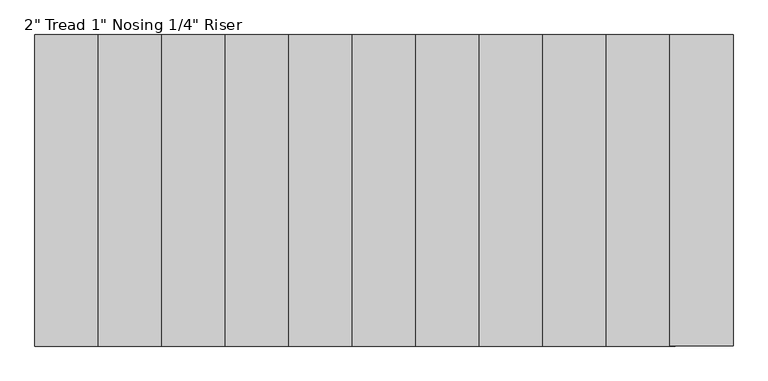
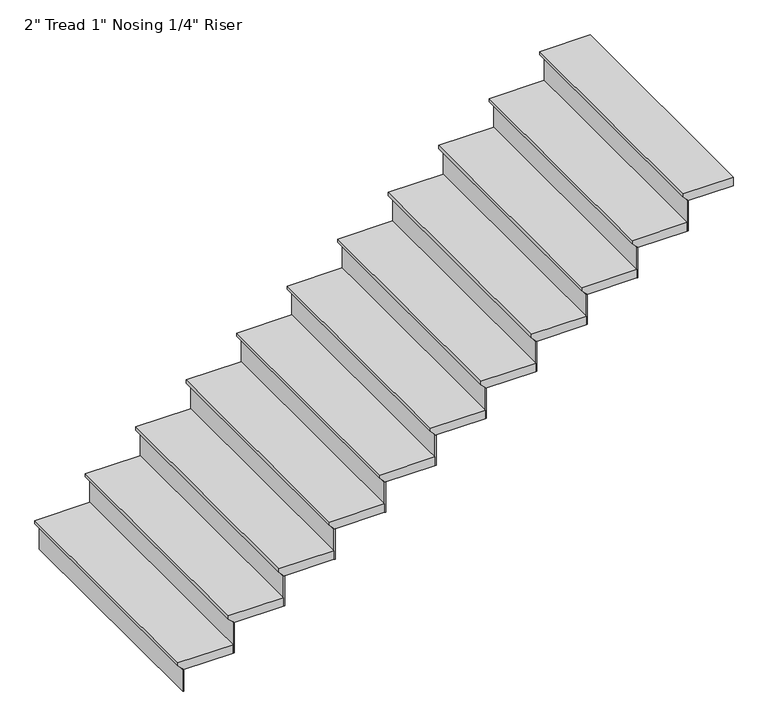
"""IFC4 building model written with IfcOpenShell, lengths in millimetres: stair flight geometry."""

import ifcopenshell
import ifcopenshell.guid

model = None  # the IFC model being written
_history = None  # IfcOwnerHistory: only IFC2X3 demands one
_inside = {}  # id of a spatial element -> (the spatial element, [elements in it])
_under = {}  # id of a project, library or spatial element -> (it, [spatial elements below it])
_declared = {}  # id of a project -> (the project, [libraries it declares])
_typed = {}  # id of a type object -> (the type object, [elements of that type])
_made_of = {}  # id of a material, layer set ... -> (it, [elements and type objects made of it])


def new_model(schema):
    """Start an empty IFC model of exactly this schema.

    Asked for "IFC4X3", IfcOpenShell would pick the latest addendum, in which some entities
    have other attributes; the version numbers below select the first issue.
    IFC2X3 requires an IfcOwnerHistory on every rooted entity: one is made here for all.
    """
    global model, _history
    if schema == "IFC4X3":
        model = ifcopenshell.file(schema_version=(4, 3, 0, 0))
    else:
        model = ifcopenshell.file(schema=schema)
    _inside.clear()
    _under.clear()
    _declared.clear()
    _typed.clear()
    _made_of.clear()
    _history = None
    if model.schema == "IFC2X3":
        org = make("IfcOrganization", Name="unknown")
        user = make(
            "IfcPersonAndOrganization",
            ThePerson=make("IfcPerson", FamilyName="unknown"),
            TheOrganization=org,
        )
        app = make(
            "IfcApplication",
            ApplicationDeveloper=org,
            Version="unknown",
            ApplicationFullName="unknown",
            ApplicationIdentifier="unknown",
        )
        _history = make(
            "IfcOwnerHistory",
            OwningUser=user,
            OwningApplication=app,
            ChangeAction="ADDED",
            CreationDate=0,
        )
    return model


def make(cls, **values):
    """One entity of the class cls with the attributes given. An attribute that is None is left unset."""
    return model.create_entity(
        cls, **{name: value for name, value in values.items() if value is not None}
    )


def rooted(cls, **values):
    """An entity with a GlobalId (a new one), such as an element, a storey or a relation."""
    return make(cls, GlobalId=ifcopenshell.guid.new(), OwnerHistory=_history, **values)


def si_unit(unit_type, name, prefix=None):
    """IfcSIUnit, for example si_unit("LENGTHUNIT", "METRE", prefix="MILLI")."""
    return make("IfcSIUnit", UnitType=unit_type, Prefix=prefix, Name=name)


def assignment(units):
    """IfcUnitAssignment: the units of a project."""
    return None if units is None else make("IfcUnitAssignment", Units=units)


def point(xyz):
    """IfcCartesianPoint."""
    return None if xyz is None else make("IfcCartesianPoint", Coordinates=xyz)


def direction(xyz):
    """IfcDirection."""
    return None if xyz is None else make("IfcDirection", DirectionRatios=xyz)


def frame(location, z_axis=None, x_axis=None):
    """IfcAxis2Placement3D, a coordinate frame: its origin and axes. An axis left out is left unset."""
    return make(
        "IfcAxis2Placement3D",
        Location=point(location),
        Axis=direction(z_axis),
        RefDirection=direction(x_axis),
    )


def origin():
    """The frame at (0, 0, 0) with its axes left unset."""
    return frame((0.0, 0.0, 0.0))


def origin_with_axes():
    """The frame at (0, 0, 0) with the z axis (0, 0, 1) and the x axis (1, 0, 0) written out."""
    return frame((0.0, 0.0, 0.0), z_axis=(0.0, 0.0, 1.0), x_axis=(1.0, 0.0, 0.0))


def place(relative_to, where):
    """IfcLocalPlacement: puts the frame where relative to a parent placement (None: the world)."""
    return make(
        "IfcLocalPlacement", PlacementRelTo=relative_to, RelativePlacement=where
    )


def context(
    kind, dimensions, precision=None, world=None, true_north=None, identifier=None
):
    """IfcGeometricRepresentationContext, for example the 3D "Model" context."""
    return make(
        "IfcGeometricRepresentationContext",
        ContextIdentifier=identifier,
        ContextType=kind,
        CoordinateSpaceDimension=dimensions,
        Precision=precision,
        WorldCoordinateSystem=world,
        TrueNorth=true_north,
    )


def project(units=None, contexts=None):
    """IfcProject with its units and contexts."""
    return rooted(
        "IfcProject",
        Name="project",
        RepresentationContexts=contexts,
        UnitsInContext=assignment(units),
    )


def spatial(cls, under=None, at=None, **own):
    """A site, building, storey or space (cls), placed at a placement, below another one or the project."""
    s = rooted(cls, ObjectPlacement=at, **own)
    if under is not None:
        _under.setdefault(under.id(), (under, []))[1].append(s)
    return s


def polyline(points):
    """IfcPolyline through the points."""
    return make("IfcPolyline", Points=[point(p) for p in points])


def outline(outer, holes=None, kind="AREA"):
    """IfcArbitraryClosedProfileDef: a profile drawn as a closed curve; with holes, ...WithVoids."""
    if holes is None:
        return make("IfcArbitraryClosedProfileDef", ProfileType=kind, OuterCurve=outer)
    return make(
        "IfcArbitraryProfileDefWithVoids",
        ProfileType=kind,
        OuterCurve=outer,
        InnerCurves=holes,
    )


def extrude(swept, where, along, depth):
    """IfcExtrudedAreaSolid: the profile swept, set in the frame where, extruded along a direction by depth."""
    return make(
        "IfcExtrudedAreaSolid",
        SweptArea=swept,
        Position=where,
        ExtrudedDirection=direction(along),
        Depth=depth,
    )


def shape(context_of_items, identifier, shape_type, items):
    """IfcShapeRepresentation: the items that make up one representation, for example the "Body"."""
    return make(
        "IfcShapeRepresentation",
        ContextOfItems=context_of_items,
        RepresentationIdentifier=identifier,
        RepresentationType=shape_type,
        Items=items,
    )


def source(mapping_origin, context_of_items, identifier, shape_type, items):
    """IfcRepresentationMap: a shape defined once, which mapped items show again and again."""
    return make(
        "IfcRepresentationMap",
        MappingOrigin=mapping_origin,
        MappedRepresentation=shape(context_of_items, identifier, shape_type, items),
    )


def transform(
    local_origin,
    x_axis=None,
    y_axis=None,
    z_axis=None,
    scale=None,
    scale2=None,
    scale3=None,
    uniform=True,
):
    """IfcCartesianTransformationOperator3D, or its non-uniform kind. x_axis, y_axis, z_axis: its Axis1, 2, 3."""
    if uniform:
        return make(
            "IfcCartesianTransformationOperator3D",
            Axis1=direction(x_axis),
            Axis2=direction(y_axis),
            LocalOrigin=point(local_origin),
            Scale=scale,
            Axis3=direction(z_axis),
        )
    return make(
        "IfcCartesianTransformationOperator3DnonUniform",
        Axis1=direction(x_axis),
        Axis2=direction(y_axis),
        LocalOrigin=point(local_origin),
        Scale=scale,
        Axis3=direction(z_axis),
        Scale2=scale2,
        Scale3=scale3,
    )


def mapped(mapping_source, mapping_target):
    """IfcMappedItem: shows the shape of a source again, moved by a transform."""
    return make(
        "IfcMappedItem", MappingSource=mapping_source, MappingTarget=mapping_target
    )


def made_of(thing, what):
    """Note that an element or type object is made of a material, layer set ...; save() writes the relation."""
    if what is not None:
        _made_of.setdefault(what.id(), (what, []))[1].append(thing)
    return thing


def element(
    cls,
    number,
    at=None,
    inside=None,
    cuts=None,
    type_object=None,
    material=None,
    context=None,
    identifier="Body",
    shape_type=None,
    held_by="IfcProductDefinitionShape",
    body=None,
    shapes=None,
    **own,
):
    """One element of the class cls, such as IfcWall. Its Tag is "e" and its number.

    at: its placement. inside: the storey or other place that contains it. cuts: it is an
    opening in that element (IfcRelVoidsElement). A single representation is given by context,
    identifier, shape_type and body (its items); several are given by shapes. held_by: the class
    of the entity that holds the representations. save() writes the other relations.
    """
    e = rooted(cls, Tag="e%d" % number, ObjectPlacement=at, **own)
    if body is not None:
        shapes = [shape(context, identifier, shape_type, body)]
    if shapes is not None:
        e.Representation = make(held_by, Representations=shapes)
    if inside is not None:
        _inside.setdefault(inside.id(), (inside, []))[1].append(e)
    if cuts is not None:
        rooted(
            "IfcRelVoidsElement", RelatingBuildingElement=cuts, RelatedOpeningElement=e
        )
    if type_object is not None:
        _typed.setdefault(type_object.id(), (type_object, []))[1].append(e)
    return made_of(e, material)


def aggregate(whole, parts):
    """IfcRelAggregates: a whole, such as a stair, and the parts it consists of."""
    return rooted("IfcRelAggregates", RelatingObject=whole, RelatedObjects=parts)


def save(model, path):
    """Write the relations noted so far, then the file.

    IfcRelAggregates (storeys below a building ...), IfcRelContainedInSpatialStructure (elements
    in a storey), IfcRelDefinesByType, IfcRelAssociatesMaterial and IfcRelDeclares: one each for
    every whole, place, type object, material and project.
    """
    for whole, parts in _under.values():
        aggregate(whole, parts)
    for where, things in _inside.values():
        rooted(
            "IfcRelContainedInSpatialStructure",
            RelatedElements=things,
            RelatingStructure=where,
        )
    for kind, things in _typed.values():
        rooted("IfcRelDefinesByType", RelatedObjects=things, RelatingType=kind)
    for what, things in _made_of.values():
        rooted("IfcRelAssociatesMaterial", RelatedObjects=things, RelatingMaterial=what)
    for by, libraries in _declared.values():
        rooted("IfcRelDeclares", RelatingContext=by, RelatedDefinitions=libraries)
    model.write(path)


def stair_flight_4f074d0f(model_context):
    return source(origin(), model_context, "Body", "SweptSolid", [
        extrude(outline(polyline([(176.6956522, -514089.8106288), (176.6956522, -514394.6106288), (157.6456522, -514394.6106288), (132.2456522, -514369.2106288), (125.8956522, -514369.2106288), (125.8956522, -514089.8106288), (176.6956522, -514089.8106288)])), frame((0.0, 21980.2716336, 0.0), z_axis=(0.0, 1.0, 0.0), x_axis=(0.0, 0.0, 1.0)), (0.0, 0.0, 1.0), 1371.6),
        extrude(outline(polyline([(-514362.8606288, 21980.2716336), (-514369.2106288, 21980.2716336), (-514369.2106288, 23351.8716336), (-514362.8606288, 23351.8716336), (-514362.8606288, 21980.2716336)])), origin_with_axes(), (0.0, 0.0, 1.0), 125.8956522),
        extrude(outline(polyline([(-514083.4606288, 21980.2716336), (-514089.8106288, 21980.2716336), (-514089.8106288, 23351.8716336), (-514083.4606288, 23351.8716336), (-514083.4606288, 21980.2716336)])), frame((0.0, 0.0, 125.8956522), z_axis=(0.0, 0.0, 1.0), x_axis=(1.0, 0.0, 0.0)), (0.0, 0.0, 1.0), 176.6956522),
        extrude(outline(polyline([(353.3913043, -513810.4106288), (353.3913043, -514115.2106288), (334.3413043, -514115.2106288), (308.9413043, -514089.8106288), (302.5913043, -514089.8106288), (302.5913043, -513810.4106288), (353.3913043, -513810.4106288)])), frame((0.0, 21980.2716336, 0.0), z_axis=(0.0, 1.0, 0.0), x_axis=(0.0, 0.0, 1.0)), (0.0, 0.0, 1.0), 1371.6),
        extrude(outline(polyline([(-513804.0606288, 21980.2716336), (-513810.4106288, 21980.2716336), (-513810.4106288, 23351.8716336), (-513804.0606288, 23351.8716336), (-513804.0606288, 21980.2716336)])), frame((0.0, 0.0, 302.5913043), z_axis=(0.0, 0.0, 1.0), x_axis=(1.0, 0.0, 0.0)), (0.0, 0.0, 1.0), 176.6956522),
        extrude(outline(polyline([(530.0869565, -513531.0106288), (530.0869565, -513835.8106288), (511.0369565, -513835.8106288), (485.6369565, -513810.4106288), (479.2869565, -513810.4106288), (479.2869565, -513531.0106288), (530.0869565, -513531.0106288)])), frame((0.0, 21980.2716336, 0.0), z_axis=(0.0, 1.0, 0.0), x_axis=(0.0, 0.0, 1.0)), (0.0, 0.0, 1.0), 1371.6),
        extrude(outline(polyline([(-513524.6606288, 21980.2716336), (-513531.0106288, 21980.2716336), (-513531.0106288, 23351.8716336), (-513524.6606288, 23351.8716336), (-513524.6606288, 21980.2716336)])), frame((0.0, 0.0, 479.2869565), z_axis=(0.0, 0.0, 1.0), x_axis=(1.0, 0.0, 0.0)), (0.0, 0.0, 1.0), 176.6956522),
        extrude(outline(polyline([(706.7826087, -513251.6106288), (706.7826087, -513556.4106288), (687.7326087, -513556.4106288), (662.3326087, -513531.0106288), (655.9826087, -513531.0106288), (655.9826087, -513251.6106288), (706.7826087, -513251.6106288)])), frame((0.0, 21980.2716336, 0.0), z_axis=(0.0, 1.0, 0.0), x_axis=(0.0, 0.0, 1.0)), (0.0, 0.0, 1.0), 1371.6),
        extrude(outline(polyline([(-513245.2606288, 21980.2716336), (-513251.6106288, 21980.2716336), (-513251.6106288, 23351.8716336), (-513245.2606288, 23351.8716336), (-513245.2606288, 21980.2716336)])), frame((0.0, 0.0, 655.9826087), z_axis=(0.0, 0.0, 1.0), x_axis=(1.0, 0.0, 0.0)), (0.0, 0.0, 1.0), 176.6956522),
        extrude(outline(polyline([(883.4782609, -512972.2106288), (883.4782609, -513277.0106288), (864.4282609, -513277.0106288), (839.0282609, -513251.6106288), (832.6782609, -513251.6106288), (832.6782609, -512972.2106288), (883.4782609, -512972.2106288)])), frame((0.0, 21980.2716336, 0.0), z_axis=(0.0, 1.0, 0.0), x_axis=(0.0, 0.0, 1.0)), (0.0, 0.0, 1.0), 1371.6),
        extrude(outline(polyline([(-512965.8606288, 21980.2716336), (-512972.2106288, 21980.2716336), (-512972.2106288, 23351.8716336), (-512965.8606288, 23351.8716336), (-512965.8606288, 21980.2716336)])), frame((0.0, 0.0, 832.6782609), z_axis=(0.0, 0.0, 1.0), x_axis=(1.0, 0.0, 0.0)), (0.0, 0.0, 1.0), 176.6956522),
        extrude(outline(polyline([(1060.173913, -512692.8106288), (1060.173913, -512997.6106288), (1041.123913, -512997.6106288), (1015.723913, -512972.2106288), (1009.373913, -512972.2106288), (1009.373913, -512692.8106288), (1060.173913, -512692.8106288)])), frame((0.0, 21980.2716336, 0.0), z_axis=(0.0, 1.0, 0.0), x_axis=(0.0, 0.0, 1.0)), (0.0, 0.0, 1.0), 1371.6),
        extrude(outline(polyline([(-512686.4606288, 21980.2716336), (-512692.8106288, 21980.2716336), (-512692.8106288, 23351.8716336), (-512686.4606288, 23351.8716336), (-512686.4606288, 21980.2716336)])), frame((0.0, 0.0, 1009.373913), z_axis=(0.0, 0.0, 1.0), x_axis=(1.0, 0.0, 0.0)), (0.0, 0.0, 1.0), 176.6956522),
        extrude(outline(polyline([(1236.8695652, -512413.4106288), (1236.8695652, -512718.2106288), (1217.8195652, -512718.2106288), (1192.4195652, -512692.8106288), (1186.0695652, -512692.8106288), (1186.0695652, -512413.4106288), (1236.8695652, -512413.4106288)])), frame((0.0, 21980.2716336, 0.0), z_axis=(0.0, 1.0, 0.0), x_axis=(0.0, 0.0, 1.0)), (0.0, 0.0, 1.0), 1371.6),
        extrude(outline(polyline([(-512407.0606288, 21980.2716336), (-512413.4106288, 21980.2716336), (-512413.4106288, 23351.8716336), (-512407.0606288, 23351.8716336), (-512407.0606288, 21980.2716336)])), frame((0.0, 0.0, 1186.0695652), z_axis=(0.0, 0.0, 1.0), x_axis=(1.0, 0.0, 0.0)), (0.0, 0.0, 1.0), 176.6956522),
        extrude(outline(polyline([(1413.5652174, -512134.0106288), (1413.5652174, -512438.8106288), (1394.5152174, -512438.8106288), (1369.1152174, -512413.4106288), (1362.7652174, -512413.4106288), (1362.7652174, -512134.0106288), (1413.5652174, -512134.0106288)])), frame((0.0, 21980.2716336, 0.0), z_axis=(0.0, 1.0, 0.0), x_axis=(0.0, 0.0, 1.0)), (0.0, 0.0, 1.0), 1371.6),
        extrude(outline(polyline([(-512127.6606288, 21980.2716336), (-512134.0106288, 21980.2716336), (-512134.0106288, 23351.8716336), (-512127.6606288, 23351.8716336), (-512127.6606288, 21980.2716336)])), frame((0.0, 0.0, 1362.7652174), z_axis=(0.0, 0.0, 1.0), x_axis=(1.0, 0.0, 0.0)), (0.0, 0.0, 1.0), 176.6956522),
        extrude(outline(polyline([(1590.2608696, -511854.6106288), (1590.2608696, -512159.4106288), (1571.2108696, -512159.4106288), (1545.8108696, -512134.0106288), (1539.4608696, -512134.0106288), (1539.4608696, -511854.6106288), (1590.2608696, -511854.6106288)])), frame((0.0, 21980.2716336, 0.0), z_axis=(0.0, 1.0, 0.0), x_axis=(0.0, 0.0, 1.0)), (0.0, 0.0, 1.0), 1371.6),
        extrude(outline(polyline([(-511848.2606288, 21980.2716336), (-511854.6106288, 21980.2716336), (-511854.6106288, 23351.8716336), (-511848.2606288, 23351.8716336), (-511848.2606288, 21980.2716336)])), frame((0.0, 0.0, 1539.4608696), z_axis=(0.0, 0.0, 1.0), x_axis=(1.0, 0.0, 0.0)), (0.0, 0.0, 1.0), 176.6956522),
        extrude(outline(polyline([(1766.9565217, -511575.2106288), (1766.9565217, -511880.0106288), (1747.9065217, -511880.0106288), (1722.5065217, -511854.6106288), (1716.1565217, -511854.6106288), (1716.1565217, -511575.2106288), (1766.9565217, -511575.2106288)])), frame((0.0, 21980.2716336, 0.0), z_axis=(0.0, 1.0, 0.0), x_axis=(0.0, 0.0, 1.0)), (0.0, 0.0, 1.0), 1371.6),
        extrude(outline(polyline([(-511568.8606288, 21980.2716336), (-511575.2106288, 21980.2716336), (-511575.2106288, 23351.8716336), (-511568.8606288, 23351.8716336), (-511568.8606288, 21980.2716336)])), frame((0.0, 0.0, 1716.1565217), z_axis=(0.0, 0.0, 1.0), x_axis=(1.0, 0.0, 0.0)), (0.0, 0.0, 1.0), 176.6956522),
        extrude(outline(polyline([(1943.6521739, -511321.2106288), (1943.6521739, -511600.6106288), (1924.6021739, -511600.6106288), (1899.2021739, -511575.2106288), (1892.8521739, -511575.2106288), (1892.8521739, -511321.2106288), (1943.6521739, -511321.2106288)])), frame((0.0, 21980.2716336, 0.0), z_axis=(0.0, 1.0, 0.0), x_axis=(0.0, 0.0, 1.0)), (0.0, 0.0, 1.0), 1371.6),
    ])


if __name__ == "__main__":
    model = new_model("IFC4")
    model_context = context("Model", 3, world=origin())
    ifc_project = project(units=[si_unit("LENGTHUNIT", "METRE", prefix="MILLI")], contexts=[model_context])
    site = spatial("IfcSite", under=ifc_project)
    building = spatial("IfcBuilding", under=site)
    placement = place(None, origin())
    stair_flight_shape = stair_flight_4f074d0f(model_context)
    element("IfcStairFlight", 1, ObjectType="2\" Tread 1\" Nosing 1/4\" Riser", at=placement, inside=building, context=model_context, shape_type="MappedRepresentation", body=[
        mapped(stair_flight_shape, transform((0.0, 0.0, 0.0), x_axis=(1.0, 0.0, 0.0), y_axis=(0.0, 1.0, 0.0), z_axis=(0.0, 0.0, 1.0))),
    ])
    save(model, "model.ifc")
